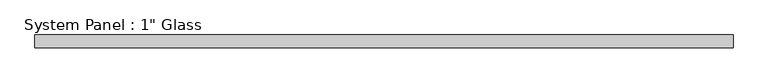
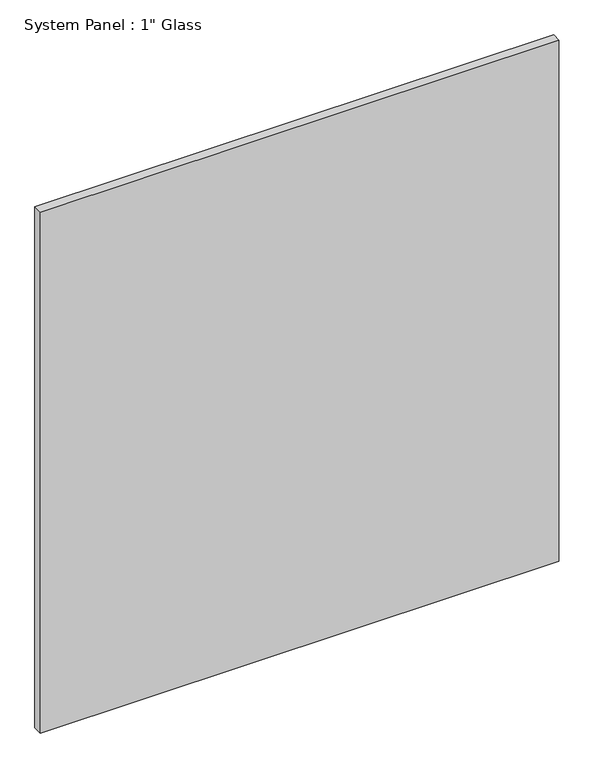
"""IFC4 building model written with IfcOpenShell, lengths in millimetres: plate geometry."""

import ifcopenshell
import ifcopenshell.guid

model = None  # the IFC model being written
_history = None  # IfcOwnerHistory: only IFC2X3 demands one
_inside = {}  # id of a spatial element -> (the spatial element, [elements in it])
_under = {}  # id of a project, library or spatial element -> (it, [spatial elements below it])
_declared = {}  # id of a project -> (the project, [libraries it declares])
_typed = {}  # id of a type object -> (the type object, [elements of that type])
_made_of = {}  # id of a material, layer set ... -> (it, [elements and type objects made of it])


def new_model(schema):
    """Start an empty IFC model of exactly this schema.

    Asked for "IFC4X3", IfcOpenShell would pick the latest addendum, in which some entities
    have other attributes; the version numbers below select the first issue.
    IFC2X3 requires an IfcOwnerHistory on every rooted entity: one is made here for all.
    """
    global model, _history
    if schema == "IFC4X3":
        model = ifcopenshell.file(schema_version=(4, 3, 0, 0))
    else:
        model = ifcopenshell.file(schema=schema)
    _inside.clear()
    _under.clear()
    _declared.clear()
    _typed.clear()
    _made_of.clear()
    _history = None
    if model.schema == "IFC2X3":
        org = make("IfcOrganization", Name="unknown")
        user = make(
            "IfcPersonAndOrganization",
            ThePerson=make("IfcPerson", FamilyName="unknown"),
            TheOrganization=org,
        )
        app = make(
            "IfcApplication",
            ApplicationDeveloper=org,
            Version="unknown",
            ApplicationFullName="unknown",
            ApplicationIdentifier="unknown",
        )
        _history = make(
            "IfcOwnerHistory",
            OwningUser=user,
            OwningApplication=app,
            ChangeAction="ADDED",
            CreationDate=0,
        )
    return model


def make(cls, **values):
    """One entity of the class cls with the attributes given. An attribute that is None is left unset."""
    return model.create_entity(
        cls, **{name: value for name, value in values.items() if value is not None}
    )


def rooted(cls, **values):
    """An entity with a GlobalId (a new one), such as an element, a storey or a relation."""
    return make(cls, GlobalId=ifcopenshell.guid.new(), OwnerHistory=_history, **values)


def si_unit(unit_type, name, prefix=None):
    """IfcSIUnit, for example si_unit("LENGTHUNIT", "METRE", prefix="MILLI")."""
    return make("IfcSIUnit", UnitType=unit_type, Prefix=prefix, Name=name)


def assignment(units):
    """IfcUnitAssignment: the units of a project."""
    return None if units is None else make("IfcUnitAssignment", Units=units)


def point(xyz):
    """IfcCartesianPoint."""
    return None if xyz is None else make("IfcCartesianPoint", Coordinates=xyz)


def direction(xyz):
    """IfcDirection."""
    return None if xyz is None else make("IfcDirection", DirectionRatios=xyz)


def frame(location, z_axis=None, x_axis=None):
    """IfcAxis2Placement3D, a coordinate frame: its origin and axes. An axis left out is left unset."""
    return make(
        "IfcAxis2Placement3D",
        Location=point(location),
        Axis=direction(z_axis),
        RefDirection=direction(x_axis),
    )


def origin():
    """The frame at (0, 0, 0) with its axes left unset."""
    return frame((0.0, 0.0, 0.0))


def origin_with_axes():
    """The frame at (0, 0, 0) with the z axis (0, 0, 1) and the x axis (1, 0, 0) written out."""
    return frame((0.0, 0.0, 0.0), z_axis=(0.0, 0.0, 1.0), x_axis=(1.0, 0.0, 0.0))


def place(relative_to, where):
    """IfcLocalPlacement: puts the frame where relative to a parent placement (None: the world)."""
    return make(
        "IfcLocalPlacement", PlacementRelTo=relative_to, RelativePlacement=where
    )


def context(
    kind, dimensions, precision=None, world=None, true_north=None, identifier=None
):
    """IfcGeometricRepresentationContext, for example the 3D "Model" context."""
    return make(
        "IfcGeometricRepresentationContext",
        ContextIdentifier=identifier,
        ContextType=kind,
        CoordinateSpaceDimension=dimensions,
        Precision=precision,
        WorldCoordinateSystem=world,
        TrueNorth=true_north,
    )


def project(units=None, contexts=None):
    """IfcProject with its units and contexts."""
    return rooted(
        "IfcProject",
        Name="project",
        RepresentationContexts=contexts,
        UnitsInContext=assignment(units),
    )


def spatial(cls, under=None, at=None, **own):
    """A site, building, storey or space (cls), placed at a placement, below another one or the project."""
    s = rooted(cls, ObjectPlacement=at, **own)
    if under is not None:
        _under.setdefault(under.id(), (under, []))[1].append(s)
    return s


def polyline(points):
    """IfcPolyline through the points."""
    return make("IfcPolyline", Points=[point(p) for p in points])


def outline(outer, holes=None, kind="AREA"):
    """IfcArbitraryClosedProfileDef: a profile drawn as a closed curve; with holes, ...WithVoids."""
    if holes is None:
        return make("IfcArbitraryClosedProfileDef", ProfileType=kind, OuterCurve=outer)
    return make(
        "IfcArbitraryProfileDefWithVoids",
        ProfileType=kind,
        OuterCurve=outer,
        InnerCurves=holes,
    )


def extrude(swept, where, along, depth):
    """IfcExtrudedAreaSolid: the profile swept, set in the frame where, extruded along a direction by depth."""
    return make(
        "IfcExtrudedAreaSolid",
        SweptArea=swept,
        Position=where,
        ExtrudedDirection=direction(along),
        Depth=depth,
    )


def shape(context_of_items, identifier, shape_type, items):
    """IfcShapeRepresentation: the items that make up one representation, for example the "Body"."""
    return make(
        "IfcShapeRepresentation",
        ContextOfItems=context_of_items,
        RepresentationIdentifier=identifier,
        RepresentationType=shape_type,
        Items=items,
    )


def source(mapping_origin, context_of_items, identifier, shape_type, items):
    """IfcRepresentationMap: a shape defined once, which mapped items show again and again."""
    return make(
        "IfcRepresentationMap",
        MappingOrigin=mapping_origin,
        MappedRepresentation=shape(context_of_items, identifier, shape_type, items),
    )


def transform(
    local_origin,
    x_axis=None,
    y_axis=None,
    z_axis=None,
    scale=None,
    scale2=None,
    scale3=None,
    uniform=True,
):
    """IfcCartesianTransformationOperator3D, or its non-uniform kind. x_axis, y_axis, z_axis: its Axis1, 2, 3."""
    if uniform:
        return make(
            "IfcCartesianTransformationOperator3D",
            Axis1=direction(x_axis),
            Axis2=direction(y_axis),
            LocalOrigin=point(local_origin),
            Scale=scale,
            Axis3=direction(z_axis),
        )
    return make(
        "IfcCartesianTransformationOperator3DnonUniform",
        Axis1=direction(x_axis),
        Axis2=direction(y_axis),
        LocalOrigin=point(local_origin),
        Scale=scale,
        Axis3=direction(z_axis),
        Scale2=scale2,
        Scale3=scale3,
    )


def mapped(mapping_source, mapping_target):
    """IfcMappedItem: shows the shape of a source again, moved by a transform."""
    return make(
        "IfcMappedItem", MappingSource=mapping_source, MappingTarget=mapping_target
    )


def made_of(thing, what):
    """Note that an element or type object is made of a material, layer set ...; save() writes the relation."""
    if what is not None:
        _made_of.setdefault(what.id(), (what, []))[1].append(thing)
    return thing


def element(
    cls,
    number,
    at=None,
    inside=None,
    cuts=None,
    type_object=None,
    material=None,
    context=None,
    identifier="Body",
    shape_type=None,
    held_by="IfcProductDefinitionShape",
    body=None,
    shapes=None,
    **own,
):
    """One element of the class cls, such as IfcWall. Its Tag is "e" and its number.

    at: its placement. inside: the storey or other place that contains it. cuts: it is an
    opening in that element (IfcRelVoidsElement). A single representation is given by context,
    identifier, shape_type and body (its items); several are given by shapes. held_by: the class
    of the entity that holds the representations. save() writes the other relations.
    """
    e = rooted(cls, Tag="e%d" % number, ObjectPlacement=at, **own)
    if body is not None:
        shapes = [shape(context, identifier, shape_type, body)]
    if shapes is not None:
        e.Representation = make(held_by, Representations=shapes)
    if inside is not None:
        _inside.setdefault(inside.id(), (inside, []))[1].append(e)
    if cuts is not None:
        rooted(
            "IfcRelVoidsElement", RelatingBuildingElement=cuts, RelatedOpeningElement=e
        )
    if type_object is not None:
        _typed.setdefault(type_object.id(), (type_object, []))[1].append(e)
    return made_of(e, material)


def aggregate(whole, parts):
    """IfcRelAggregates: a whole, such as a stair, and the parts it consists of."""
    return rooted("IfcRelAggregates", RelatingObject=whole, RelatedObjects=parts)


def save(model, path):
    """Write the relations noted so far, then the file.

    IfcRelAggregates (storeys below a building ...), IfcRelContainedInSpatialStructure (elements
    in a storey), IfcRelDefinesByType, IfcRelAssociatesMaterial and IfcRelDeclares: one each for
    every whole, place, type object, material and project.
    """
    for whole, parts in _under.values():
        aggregate(whole, parts)
    for where, things in _inside.values():
        rooted(
            "IfcRelContainedInSpatialStructure",
            RelatedElements=things,
            RelatingStructure=where,
        )
    for kind, things in _typed.values():
        rooted("IfcRelDefinesByType", RelatedObjects=things, RelatingType=kind)
    for what, things in _made_of.values():
        rooted("IfcRelAssociatesMaterial", RelatedObjects=things, RelatingMaterial=what)
    for by, libraries in _declared.values():
        rooted("IfcRelDeclares", RelatingContext=by, RelatedDefinitions=libraries)
    model.write(path)


def plate_6a63ef90(model_context):
    return source(origin(), model_context, "Body", "SweptSolid", [
        extrude(outline(polyline([(699.5095691, -12.7), (-699.5095691, -12.7), (-699.5095691, 12.7), (699.5095691, 12.7), (699.5095691, -12.7)])), origin_with_axes(), (0.0, 0.0, 1.0), 1485.9017704),
    ])


if __name__ == "__main__":
    model = new_model("IFC4")
    model_context = context("Model", 3, world=origin())
    ifc_project = project(units=[si_unit("LENGTHUNIT", "METRE", prefix="MILLI")], contexts=[model_context])
    site = spatial("IfcSite", under=ifc_project)
    building = spatial("IfcBuilding", under=site)
    placement = place(None, origin())
    plate_shape = plate_6a63ef90(model_context)
    element("IfcPlate", 1, ObjectType="System Panel : 1\" Glass", at=placement, inside=building, context=model_context, shape_type="MappedRepresentation", body=[
        mapped(plate_shape, transform((0.0, 0.0, 0.0), x_axis=(1.0, 0.0, 0.0), y_axis=(0.0, 1.0, 0.0), z_axis=(0.0, 0.0, 1.0))),
    ])
    save(model, "model.ifc")
